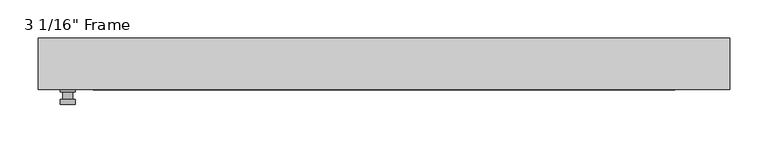
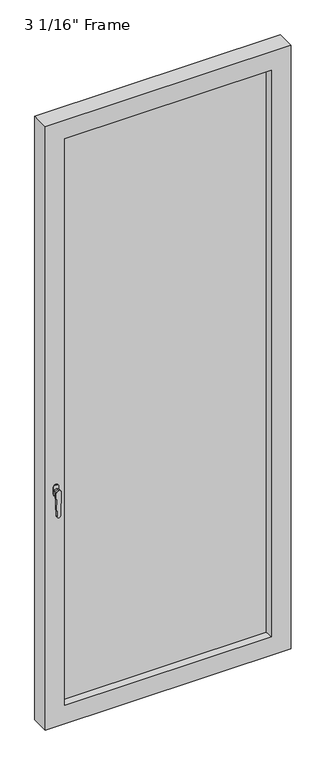
"""IFC4 building model written with IfcOpenShell, lengths in millimetres: plate geometry."""

from ifc_helpers import new_model, si_unit, frame, origin, place, context, project, spatial, polyline, circle_curve, outline, extrude, faceted_brep, source, transform, mapped, element, save
from ifc_brep_helpers import plane_surface, cylinder_surface, advanced_brep


def plate_eca3b689(model_context):
    return source(origin(), model_context, "Body", "SolidModel", [
        advanced_brep(
        [(-401.6375, -33.3375, 927.1), (-401.6375, -33.3375, 901.7), (-420.6875, -33.3375, 901.7), (-420.6875, -33.3375, 927.1), (-404.8125, -46.0375, 914.4), (-417.5125, -46.0375, 914.4), (-417.5125, -36.5125, 914.4), (-404.8125, -36.5125, 914.4), (-401.6375, -46.0375, 914.4), (-404.8165356, -46.0375, 825.2736467), (-417.5084644, -46.0375, 825.2736467), (-420.6875, -46.0375, 914.4), (-401.6375, -52.3875, 914.4), (-420.6875, -52.3875, 914.4), (-417.5084644, -52.3875, 825.2736467), (-404.8165356, -52.3875, 825.2736467), (-401.6375, -36.5125, 927.1), (-420.6875, -36.5125, 927.1), (-420.6875, -36.5125, 901.7), (-401.6375, -36.5125, 901.7)],
        [
            (0, 1),
            (1, 2, circle_curve(frame((-411.1625, -33.3375, 901.7), z_axis=(0.0, 1.0, 0.0), x_axis=(-1.0, 0.0, 0.0)), 9.525)),
            (2, 3),
            (3, 0, circle_curve(frame((-411.1625, -33.3375, 927.1), z_axis=(0.0, 1.0, 0.0), x_axis=(-1.0, 0.0, 0.0)), 9.525)),
            (4, 5, circle_curve(frame((-411.1625, -46.0375, 914.4), z_axis=(0.0, 1.0, 0.0), x_axis=(-1.0, 0.0, 0.0)), 6.35)),
            (5, 6),
            (6, 7, circle_curve(frame((-411.1625, -36.5125, 914.4), z_axis=(0.0, -1.0, 0.0), x_axis=(-1.0, 0.0, 0.0)), 6.35)),
            (7, 4),
            (5, 4, circle_curve(frame((-411.1625, -46.0375, 914.4), z_axis=(0.0, 1.0, 0.0), x_axis=(-1.0, 0.0, 0.0)), 6.35)),
            (7, 6, circle_curve(frame((-411.1625, -36.5125, 914.4), z_axis=(0.0, -1.0, 0.0), x_axis=(-1.0, 0.0, 0.0)), 6.35)),
            (8, 9),
            (9, 10, circle_curve(frame((-411.1625, -46.0375, 825.5), z_axis=(0.0, 1.0, 0.0), x_axis=(-1.0, 0.0, 0.0)), 6.35)),
            (10, 11),
            (11, 8, circle_curve(frame((-411.1625, -46.0375, 914.4), z_axis=(0.0, 1.0, 0.0), x_axis=(-1.0, 0.0, 0.0)), 9.525)),
            (12, 13, circle_curve(frame((-411.1625, -52.3875, 914.4), z_axis=(0.0, -1.0, 0.0), x_axis=(-1.0, 0.0, 0.0)), 9.525)),
            (13, 14),
            (14, 15, circle_curve(frame((-411.1625, -52.3875, 825.5), z_axis=(0.0, -1.0, 0.0), x_axis=(-1.0, 0.0, 0.0)), 6.35)),
            (15, 12),
            (8, 12),
            (15, 9),
            (14, 10),
            (13, 11),
            (16, 17, circle_curve(frame((-411.1625, -36.5125, 927.1), z_axis=(0.0, -1.0, 0.0), x_axis=(-1.0, 0.0, 0.0)), 9.525)),
            (17, 18),
            (18, 19, circle_curve(frame((-411.1625, -36.5125, 901.7), z_axis=(0.0, -1.0, 0.0), x_axis=(-1.0, 0.0, 0.0)), 9.525)),
            (19, 16),
            (0, 16),
            (19, 1),
            (18, 2),
            (17, 3),
        ],
        [
            plane_surface(frame((-417.5125, -33.3375, 914.4), z_axis=(0.0, 1.0, 0.0), x_axis=(0.0, 0.0, 1.0))),
            cylinder_surface(frame((-411.1625, -46.0375, 914.4), z_axis=(0.0, 1.0, 0.0), x_axis=(-1.0, 0.0, 0.0)), 6.35),
            plane_surface(frame((-401.6375, -46.0375, 914.4), z_axis=(0.0, 1.0000000000000002, 0.0), x_axis=(-0.03564619348186888, 0.0, -0.9993644724975235))),
            plane_surface(frame((-401.6375, -52.3875, 914.4), z_axis=(0.0, -1.0000000000000002, 0.0), x_axis=(0.03564619348186888, 0.0, 0.9993644724975235))),
            plane_surface(frame((-401.6375, -46.0375, 914.4), z_axis=(0.9993644724975235, 0.0, -0.03564619348186888), x_axis=(0.0, -1.0, 0.0))),
            cylinder_surface(frame((-411.1625, -52.3875, 825.5), z_axis=(0.0, 1.0, 0.0), x_axis=(-1.0, 0.0, 0.0)), 6.35),
            plane_surface(frame((-417.5084644, -46.0375, 825.2736467), z_axis=(-0.9993644724975228, 0.0, -0.03564619348188612), x_axis=(0.0, -1.0, 0.0))),
            cylinder_surface(frame((-411.1625, -52.3875, 914.4), z_axis=(0.0, 1.0, 0.0), x_axis=(-1.0, 0.0, 0.0)), 9.525),
            plane_surface(frame((-401.6375, -36.5125, 901.7), z_axis=(0.0, -1.0, 0.0), x_axis=(0.0, 0.0, 1.0))),
            plane_surface(frame((-401.6375, -33.3375, 927.1), z_axis=(1.0, 0.0, 0.0), x_axis=(0.0, -1.0, 0.0))),
            cylinder_surface(frame((-411.1625, -36.5125, 901.7), z_axis=(0.0, 1.0, 0.0), x_axis=(-1.0, 0.0, 0.0)), 9.525),
            plane_surface(frame((-420.6875, -33.3375, 901.7), z_axis=(-1.0, 0.0, 0.0), x_axis=(0.0, -1.0, 0.0))),
            cylinder_surface(frame((-411.1625, -36.5125, 927.1), z_axis=(0.0, 1.0, 0.0), x_axis=(-1.0, 0.0, 0.0)), 9.525),
        ],
        [
            (0, [[1, 2, 3, 4]]),
            (1, [[5, 6, 7, 8]]),
            (1, [[9, -8, 10, -6]]),
            (2, [[11, 12, 13, 14], [-5, -9]]),
            (3, [[15, 16, 17, 18]]),
            (4, [[-11, 19, -18, 20]]),
            (5, [[-12, -20, -17, 21]]),
            (6, [[-13, -21, -16, 22]]),
            (7, [[-14, -22, -15, -19]]),
            (8, [[23, 24, 25, 26], [-7, -10]]),
            (9, [[-1, 27, -26, 28]]),
            (10, [[-2, -28, -25, 29]]),
            (11, [[-3, -29, -24, 30]]),
            (12, [[-4, -30, -23, -27]]),
        ],
    ),
        faceted_brep([(-449.2625, -33.3375, 0.0), (-449.2625, 33.3375, 0.0), (449.2625, 33.3375, 0.0), (449.2625, -33.3375, 0.0), (449.2625, -33.3375, 2330.45), (-449.2625, -33.3375, 2330.45), (-377.825, -33.3375, 2259.0125), (377.825, -33.3375, 2259.0125), (377.825, -33.3375, 71.4375), (-377.825, -33.3375, 71.4375), (-449.2625, 33.3375, 2330.45), (449.2625, 33.3375, 2330.45), (-377.825, 33.3375, 2259.0125), (-377.825, 33.3375, 71.4375), (377.825, 33.3375, 71.4375), (377.825, 33.3375, 2259.0125), (-371.475, 11.90625, 2252.6625), (-371.475, 11.90625, 77.7875), (384.175, 11.90625, 2265.3625), (-384.175, 11.90625, 2265.3625), (-384.175, 11.90625, 65.0875), (384.175, 11.90625, 65.0875), (371.475, 11.90625, 2252.6625), (371.475, 11.90625, 77.7875), (-384.175, -11.90625, 2265.3625), (-384.175, -11.90625, 65.0875), (384.175, -11.90625, 2265.3625), (384.175, -11.90625, 65.0875), (-371.475, -11.90625, 2252.6625), (-371.475, -11.90625, 77.7875), (371.475, -11.90625, 77.7875), (371.475, -11.90625, 2252.6625)], [[[0, 1, 2, 3]], [[0, 3, 4, 5], [6, 7, 8, 9]], [[1, 0, 5, 10]], [[2, 1, 10, 11], [12, 13, 14, 15]], [[12, 16, 17, 13]], [[18, 19, 20, 21], [16, 22, 23, 17]], [[20, 19, 24, 25]], [[24, 26, 27, 25], [28, 29, 30, 31]], [[28, 6, 9, 29]], [[5, 4, 11, 10]], [[12, 15, 22, 16]], [[19, 18, 26, 24]], [[7, 6, 28, 31]], [[4, 3, 2, 11]], [[22, 15, 14, 23]], [[27, 26, 18, 21]], [[7, 31, 30, 8]], [[9, 8, 30, 29]], [[21, 20, 25, 27]], [[17, 23, 14, 13]]]),
        extrude(outline(polyline([(384.175, -11.90625), (-384.175, -11.90625), (-384.175, 11.90625), (384.175, 11.90625), (384.175, -11.90625)])), frame((0.0, 0.0, 65.0875), z_axis=(0.0, 0.0, 1.0), x_axis=(1.0, 0.0, 0.0)), (0.0, 0.0, 1.0), 2200.275),
    ])


if __name__ == "__main__":
    model = new_model("IFC4")
    model_context = context("Model", 3, world=origin())
    ifc_project = project(units=[si_unit("LENGTHUNIT", "METRE", prefix="MILLI")], contexts=[model_context])
    site = spatial("IfcSite", under=ifc_project)
    building = spatial("IfcBuilding", under=site)
    placement = place(None, origin())
    plate_shape = plate_eca3b689(model_context)
    element("IfcPlate", 1, ObjectType="3 1/16\" Frame", at=placement, inside=building, context=model_context, shape_type="MappedRepresentation", body=[
        mapped(plate_shape, transform((0.0, 0.0, 0.0), x_axis=(1.0, 0.0, 0.0), y_axis=(0.0, 1.0, 0.0), z_axis=(0.0, 0.0, 1.0))),
    ])
    save(model, "model.ifc")
